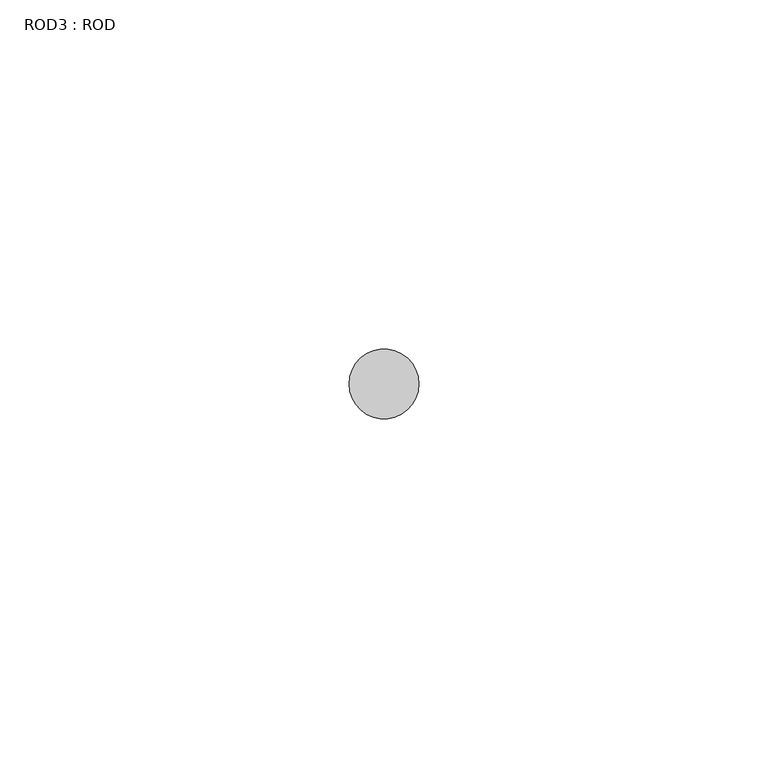
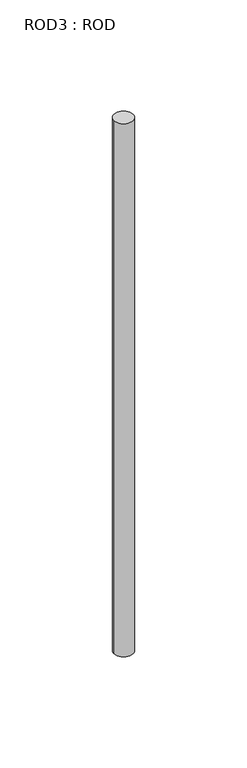
"""IFC4 building model written with IfcOpenShell, lengths in millimetres: proxy geometry, ROD3 : ROD."""

from ifc_helpers import new_model, si_unit, point, frame, frame_2d, origin, place, context, project, spatial, circle_curve, trimmed, segment, composite_curve, outline, extrude, source, transform, mapped, element, save


def rod3_rod_3ab87d1a(model_context):
    return source(origin(), model_context, "Body", "SweptSolid", [
        extrude(outline(composite_curve([segment(trimmed(circle_curve(frame_2d((-4100.2326676, 833.3971576)), 5.0), [point((-4105.2326676, 833.3971576))], [point((-4095.2326676, 833.3971576))], False, "CARTESIAN"), True, "CONTINUOUS"), segment(trimmed(circle_curve(frame_2d((-4100.2326676, 833.3971576)), 5.0), [point((-4095.2326676, 833.3971576))], [point((-4105.2326676, 833.3971576))], False, "CARTESIAN"), True, "CONTINUOUS")], self_intersect=False)), frame((0.0, 0.0, -108.6608845), z_axis=(0.0, 0.0, 1.0), x_axis=(1.0, 0.0, 0.0)), (0.0, 0.0, 1.0), 298.9028972),
    ])


if __name__ == "__main__":
    model = new_model("IFC4")
    model_context = context("Model", 3, world=origin())
    ifc_project = project(units=[si_unit("LENGTHUNIT", "METRE", prefix="MILLI")], contexts=[model_context])
    site = spatial("IfcSite", under=ifc_project)
    building = spatial("IfcBuilding", under=site)
    placement = place(None, origin())
    rod3_rod_shape = rod3_rod_3ab87d1a(model_context)
    element("IfcBuildingElementProxy", 1, Name="ROD3 : ROD", ObjectType="ROD3 : ROD", at=placement, inside=building, context=model_context, shape_type="MappedRepresentation", body=[
        mapped(rod3_rod_shape, transform((0.0, 0.0, 0.0), x_axis=(1.0, 0.0, 0.0), y_axis=(0.0, 1.0, 0.0), z_axis=(0.0, 0.0, 1.0))),
    ])
    save(model, "model.ifc")
